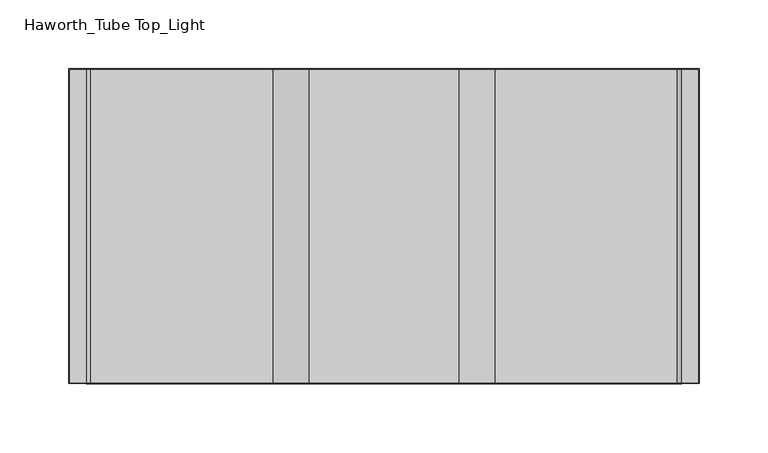
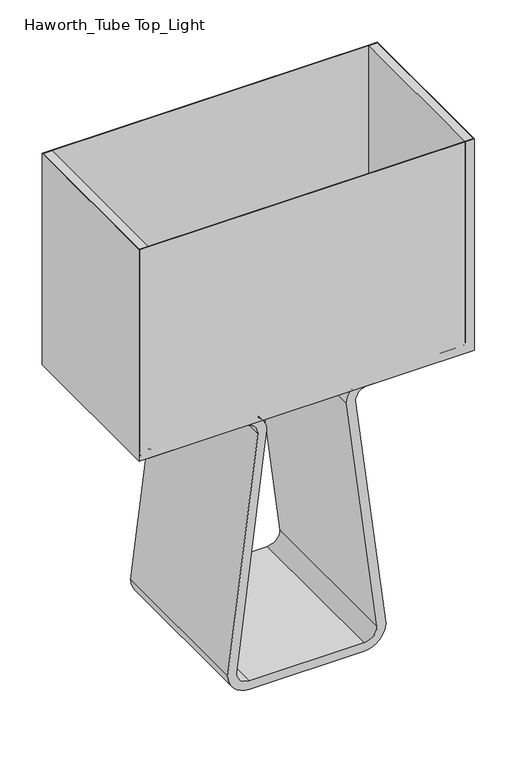
"""IFC4 building model written with IfcOpenShell, lengths in millimetres: light fixture geometry, Haworth_Tube Top_Light."""

from ifc_helpers import new_model, si_unit, frame, origin, place, context, project, spatial, polyline, circle_curve, outline, extrude, source, transform, mapped, element, save
from ifc_brep_helpers import plane_surface, cylinder_surface, revolved_surface, advanced_brep


def haworth_tube_top_light_b1e9bb4b(model_context):
    return source(origin(), model_context, "Body", "SolidModel", [
        extrude(outline(polyline([(258.0286301, 338.5532085), (258.0286301, 109.9532085), (-199.1713699, 109.9532085), (-199.1713699, 338.5532085), (258.0286301, 338.5532085)]), holes=[polyline([(-198.6752762, 110.4493023), (257.5325363, 110.4493023), (257.5325363, 338.0571148), (-198.6752762, 338.0571148), (-198.6752762, 110.4493023)])]), frame((0.0, 0.0, 1092.2), z_axis=(0.0, 0.0, 1.0), x_axis=(1.0, 0.0, 0.0)), (0.0, 0.0, 1.0), 304.8),
        advanced_brep(
        [(107.5137863, 109.9532085, 711.2), (137.3786301, 109.9532085, 741.0648438), (96.0940942, 109.9532085, 1075.2629814), (111.9786301, 109.9532085, 1092.2), (244.8325363, 109.9532085, 1092.2), (257.5325363, 109.9532085, 1104.9), (257.5325363, 109.9532085, 1397.0), (245.5270676, 109.9532085, 1397.0), (245.5270676, 109.9532085, 1107.3815346), (242.3520676, 109.9532085, 1104.2065346), (110.2106115, 109.9532085, 1104.2065346), (83.9989426, 109.9532085, 1076.2827629), (125.3731613, 109.9532085, 741.0648438), (107.5137863, 109.9532085, 723.2054688), (-48.6565262, 109.9532085, 723.1785424), (-66.5159012, 109.9532085, 741.0648438), (-25.1416824, 109.9532085, 1076.2827629), (-51.3533513, 109.9532085, 1104.2065346), (-183.4948074, 109.9532085, 1104.2065346), (-186.6698074, 109.9532085, 1107.3815346), (-186.6698074, 109.9532085, 1397.0), (-198.6752762, 109.9532085, 1397.0), (-198.6752762, 109.9532085, 1104.9), (-185.9752762, 109.9532085, 1092.2), (-53.1213699, 109.9532085, 1092.2), (-37.236834, 109.9532085, 1075.2629814), (-78.5213699, 109.9532085, 741.0648438), (-48.6565262, 109.9532085, 711.2), (107.5137863, 338.5532085, 711.2), (-48.6565262, 338.5532085, 711.2), (-78.5213699, 338.5532085, 741.0648438), (-37.236834, 338.5532085, 1075.2629814), (-53.1213699, 338.5532085, 1092.2), (-185.9752762, 338.5532085, 1092.2), (-198.6752762, 338.5532085, 1104.9), (-198.6752762, 338.5532085, 1397.0), (-186.6698074, 338.5532085, 1397.0), (-186.6698074, 338.5532085, 1107.3815346), (-183.4948074, 338.5532085, 1104.2065346), (-51.3533513, 338.5532085, 1104.2065346), (-25.1416824, 338.5532085, 1076.2827629), (-66.5159012, 338.5532085, 741.0648438), (-48.6565262, 338.5532085, 723.2054688), (107.5137863, 338.5532085, 723.1785424), (125.3731613, 338.5532085, 741.0648438), (83.9989426, 338.5532085, 1076.2827629), (110.2106115, 338.5532085, 1104.2065346), (242.3520676, 338.5532085, 1104.2065346), (245.5270676, 338.5532085, 1107.3815346), (245.5270676, 338.5532085, 1397.0), (257.5325363, 338.5532085, 1397.0), (257.5325363, 338.5532085, 1104.9), (244.8325363, 338.5532085, 1092.2), (111.9786301, 338.5532085, 1092.2), (96.0940942, 338.5532085, 1075.2629814), (137.3786301, 338.5532085, 741.0648438)],
        [
            (0, 1, circle_curve(frame((107.5137863, 109.9532085, 741.0648438), z_axis=(0.0, -1.0, 0.0), x_axis=(1.0, 0.0, 0.0)), 29.8648438)),
            (1, 2),
            (2, 3, circle_curve(frame((111.9786301, 109.9532085, 1076.2827629), z_axis=(0.0, 1.0, 0.0), x_axis=(1.0, 0.0, 0.0)), 15.9172371)),
            (3, 4),
            (4, 5, circle_curve(frame((244.8325363, 109.9532085, 1104.9), z_axis=(0.0, -1.0, 0.0), x_axis=(1.0, 0.0, 0.0)), 12.7)),
            (5, 6),
            (6, 7),
            (7, 8),
            (8, 9, circle_curve(frame((242.3520676, 109.9532085, 1107.3815346), z_axis=(0.0, 1.0, 0.0), x_axis=(1.0, 0.0, 0.0)), 3.175)),
            (9, 10),
            (10, 11, circle_curve(frame((111.9786301, 109.9532085, 1076.2827629), z_axis=(0.0, -1.0, 0.0), x_axis=(1.0, 0.0, 0.0)), 27.9796875)),
            (11, 12),
            (12, 13, circle_curve(frame((107.5137863, 109.9532085, 741.0648438), z_axis=(0.0, 1.0, 0.0), x_axis=(1.0, 0.0, 0.0)), 17.859375)),
            (13, 14),
            (14, 15, circle_curve(frame((-48.6565262, 109.9532085, 741.0648438), z_axis=(0.0, 1.0, 0.0), x_axis=(1.0, 0.0, 0.0)), 17.859375)),
            (15, 16),
            (16, 17, circle_curve(frame((-53.1213699, 109.9532085, 1076.2827629), z_axis=(0.0, -1.0, 0.0), x_axis=(1.0, 0.0, 0.0)), 27.9796875)),
            (17, 18),
            (18, 19, circle_curve(frame((-183.4948074, 109.9532085, 1107.3815346), z_axis=(0.0, 1.0, 0.0), x_axis=(1.0, 0.0, 0.0)), 3.175)),
            (19, 20),
            (20, 21),
            (21, 22),
            (22, 23, circle_curve(frame((-185.9752762, 109.9532085, 1104.9), z_axis=(0.0, -1.0, 0.0), x_axis=(1.0, 0.0, 0.0)), 12.7)),
            (23, 24),
            (24, 25, circle_curve(frame((-53.1213699, 109.9532085, 1076.2827629), z_axis=(0.0, 1.0, 0.0), x_axis=(1.0, 0.0, 0.0)), 15.9172371)),
            (25, 26),
            (26, 27, circle_curve(frame((-48.6565262, 109.9532085, 741.0648438), z_axis=(0.0, -1.0, 0.0), x_axis=(1.0, 0.0, 0.0)), 29.8648438)),
            (27, 0),
            (28, 29),
            (29, 30, circle_curve(frame((-48.6565262, 338.5532085, 741.0648438), z_axis=(0.0, 1.0, 0.0), x_axis=(1.0, 0.0, 0.0)), 29.8648438)),
            (30, 31),
            (31, 32, circle_curve(frame((-53.1213699, 338.5532085, 1076.2827629), z_axis=(0.0, -1.0, 0.0), x_axis=(1.0, 0.0, 0.0)), 15.9172371)),
            (32, 33),
            (33, 34, circle_curve(frame((-185.9752762, 338.5532085, 1104.9), z_axis=(0.0, 1.0, 0.0), x_axis=(1.0, 0.0, 0.0)), 12.7)),
            (34, 35),
            (35, 36),
            (36, 37),
            (37, 38, circle_curve(frame((-183.4948074, 338.5532085, 1107.3815346), z_axis=(0.0, -1.0, 0.0), x_axis=(1.0, 0.0, 0.0)), 3.175)),
            (38, 39),
            (39, 40, circle_curve(frame((-53.1213699, 338.5532085, 1076.2827629), z_axis=(0.0, 1.0, 0.0), x_axis=(1.0, 0.0, 0.0)), 27.9796875)),
            (40, 41),
            (41, 42, circle_curve(frame((-48.6565262, 338.5532085, 741.0648438), z_axis=(0.0, -1.0, 0.0), x_axis=(1.0, 0.0, 0.0)), 17.859375)),
            (42, 43),
            (43, 44, circle_curve(frame((107.5137863, 338.5532085, 741.0648438), z_axis=(0.0, -1.0, 0.0), x_axis=(1.0, 0.0, 0.0)), 17.859375)),
            (44, 45),
            (45, 46, circle_curve(frame((111.9786301, 338.5532085, 1076.2827629), z_axis=(0.0, 1.0, 0.0), x_axis=(1.0, 0.0, 0.0)), 27.9796875)),
            (46, 47),
            (47, 48, circle_curve(frame((242.3520676, 338.5532085, 1107.3815346), z_axis=(0.0, -1.0, 0.0), x_axis=(1.0, 0.0, 0.0)), 3.175)),
            (48, 49),
            (49, 50),
            (50, 51),
            (51, 52, circle_curve(frame((244.8325363, 338.5532085, 1104.9), z_axis=(0.0, 1.0, 0.0), x_axis=(1.0, 0.0, 0.0)), 12.7)),
            (52, 53),
            (53, 54, circle_curve(frame((111.9786301, 338.5532085, 1076.2827629), z_axis=(0.0, -1.0, 0.0), x_axis=(1.0, 0.0, 0.0)), 15.9172371)),
            (54, 55),
            (55, 28, circle_curve(frame((107.5137863, 338.5532085, 741.0648438), z_axis=(0.0, 1.0, 0.0), x_axis=(1.0, 0.0, 0.0)), 29.8648438)),
            (27, 29),
            (28, 0),
            (13, 43),
            (42, 14),
            (5, 51),
            (50, 6),
            (15, 41),
            (40, 16),
            (17, 39),
            (38, 18),
            (21, 35),
            (34, 22),
            (33, 23),
            (32, 24),
            (31, 25),
            (30, 26),
            (49, 7),
            (37, 19),
            (36, 20),
            (48, 8),
            (1, 55),
            (54, 2),
            (53, 3),
            (52, 4),
            (47, 9),
            (46, 10),
            (45, 11),
            (44, 12),
        ],
        [
            plane_surface(frame((137.3786301, 109.9532085, 741.0648438), z_axis=(0.0, -1.0, 0.0), x_axis=(0.0, 0.0, 1.0))),
            plane_surface(frame((137.3786301, 338.5532085, 741.0648438), z_axis=(0.0, 1.0, 0.0), x_axis=(0.0, 0.0, -1.0))),
            plane_surface(frame((-48.6565262, 109.9532085, 711.2), z_axis=(0.0, 0.0, -1.0), x_axis=(0.0, 1.0, 0.0))),
            plane_surface(frame((107.5137863, 109.9532085, 723.1785424), z_axis=(0.0, 0.0, 1.0), x_axis=(0.0, 1.0, 0.0))),
            plane_surface(frame((257.5325363, 109.9532085, 1104.9), z_axis=(1.0, 0.0, 0.0), x_axis=(0.0, 1.0, 0.0))),
            plane_surface(frame((-66.5159012, 109.9532085, 741.0648438), z_axis=(0.9924690884575811, 0.0, -0.12249534054884759), x_axis=(0.0, 1.0, 0.0))),
            plane_surface(frame((-51.3533513, 109.9532085, 1104.2065346), z_axis=(-1.7823596592694351e-12, 0.0, 1.0), x_axis=(0.0, 1.0, 0.0))),
            plane_surface(frame((-198.6752762, 109.9532085, 1397.0), z_axis=(-1.0, 0.0, 0.0), x_axis=(0.0, 1.0, 0.0))),
            cylinder_surface(frame((-185.9752762, 338.5532085, 1104.9), z_axis=(0.0, -1.0, 0.0), x_axis=(1.0, 0.0, 0.0)), 12.7),
            plane_surface(frame((-185.9752762, 109.9532085, 1092.2), z_axis=(0.0, 0.0, -1.0), x_axis=(0.0, 1.0, 0.0))),
            revolved_surface(polyline([(-37.2041328, 338.5532085, 1076.2827629), (-37.2041328, 109.95320850000002, 1076.2827629)]), (-53.1213699, 338.5532085, 1076.2827629), (0.0, 1.0, 0.0)),
            plane_surface(frame((-37.236834, 109.9532085, 1075.2629814), z_axis=(-0.9924560194515472, 0.0, 0.12260118047714945), x_axis=(0.0, 1.0, 0.0))),
            cylinder_surface(frame((-48.6565262, 338.5532085, 741.0648438), z_axis=(0.0, -1.0, 0.0), x_axis=(1.0, 0.0, 0.0)), 29.8648438),
            plane_surface(frame((257.5325363, 109.9532085, 1397.0), z_axis=(0.0, 0.0, 1.0), x_axis=(0.0, 1.0, 0.0))),
            revolved_surface(polyline([(-180.3198074, 338.5532085, 1107.3815346), (-180.3198074, 109.95320850000002, 1107.3815346)]), (-183.4948074, 338.5532085, 1107.3815346), (0.0, 1.0, 0.0)),
            plane_surface(frame((-186.6698074, 109.9532085, 1107.3815346), z_axis=(1.0, 0.0, 0.0), x_axis=(0.0, 1.0, 0.0))),
            plane_surface(frame((-186.6698074, 109.9532085, 1397.0), z_axis=(0.0, 0.0, 1.0), x_axis=(0.0, 1.0, 0.0))),
            plane_surface(frame((245.5270676, 109.9532085, 1397.0), z_axis=(-1.0, 0.0, 0.0), x_axis=(0.0, 1.0, 0.0))),
            revolved_surface(polyline([(-30.797151200000002, 338.5532085, 741.0648438), (-30.797151200000002, 109.95320850000002, 741.0648438)]), (-48.6565262, 338.5532085, 741.0648438), (0.0, 1.0, 0.0)),
            cylinder_surface(frame((-53.1213699, 338.5532085, 1076.2827629), z_axis=(0.0, -1.0, 0.0), x_axis=(1.0, 0.0, 0.0)), 27.9796875),
            plane_surface(frame((137.3786301, 109.9532085, 741.0648438), z_axis=(0.9924560194517176, 0.0, 0.12260118047576937), x_axis=(0.0, 1.0, 0.0))),
            revolved_surface(polyline([(127.8958672, 338.5532085, 1076.2827629), (127.8958672, 109.95320850000002, 1076.2827629)]), (111.9786301, 338.5532085, 1076.2827629), (0.0, 1.0, 0.0)),
            plane_surface(frame((111.9786301, 109.9532085, 1092.2), z_axis=(0.0, 0.0, -1.0), x_axis=(0.0, 1.0, 0.0))),
            cylinder_surface(frame((244.8325363, 338.5532085, 1104.9), z_axis=(0.0, -1.0, 0.0), x_axis=(1.0, 0.0, 0.0)), 12.7),
            revolved_surface(polyline([(245.5270676, 338.5532085, 1107.3815346), (245.5270676, 109.95320850000002, 1107.3815346)]), (242.3520676, 338.5532085, 1107.3815346), (0.0, 1.0, 0.0)),
            plane_surface(frame((242.3520676, 109.9532085, 1104.2065346), z_axis=(0.0, 0.0, 1.0), x_axis=(0.0, 1.0, 0.0))),
            cylinder_surface(frame((111.9786301, 338.5532085, 1076.2827629), z_axis=(0.0, -1.0, 0.0), x_axis=(1.0, 0.0, 0.0)), 27.9796875),
            plane_surface(frame((83.9989426, 109.9532085, 1076.2827629), z_axis=(-0.9924690884576707, 0.0, -0.12249534054812146), x_axis=(0.0, 1.0, 0.0))),
            revolved_surface(polyline([(125.3731613, 338.5532085, 741.0648438), (125.3731613, 109.95320850000002, 741.0648438)]), (107.5137863, 338.5532085, 741.0648438), (0.0, 1.0, 0.0)),
            cylinder_surface(frame((107.5137863, 338.5532085, 741.0648438), z_axis=(0.0, -1.0, 0.0), x_axis=(1.0, 0.0, 0.0)), 29.8648438),
        ],
        [
            (0, [[1, 2, 3, 4, 5, 6, 7, 8, 9, 10, 11, 12, 13, 14, 15, 16, 17, 18, 19, 20, 21, 22, 23, 24, 25, 26, 27, 28]]),
            (1, [[29, 30, 31, 32, 33, 34, 35, 36, 37, 38, 39, 40, 41, 42, 43, 44, 45, 46, 47, 48, 49, 50, 51, 52, 53, 54, 55, 56]]),
            (2, [[-28, 57, -29, 58]]),
            (3, [[-14, 59, -43, 60]]),
            (4, [[-6, 61, -51, 62]]),
            (5, [[-16, 63, -41, 64]]),
            (6, [[-18, 65, -39, 66]]),
            (7, [[-22, 67, -35, 68]]),
            (8, [[-23, -68, -34, 69]]),
            (9, [[-24, -69, -33, 70]]),
            (10, [[-25, -70, -32, 71]]),
            (11, [[-26, -71, -31, 72]]),
            (12, [[-27, -72, -30, -57]]),
            (13, [[-7, -62, -50, 73]]),
            (14, [[-19, -66, -38, 74]]),
            (15, [[-20, -74, -37, 75]]),
            (16, [[-21, -75, -36, -67]]),
            (17, [[-8, -73, -49, 76]]),
            (18, [[-15, -60, -42, -63]]),
            (19, [[-17, -64, -40, -65]]),
            (20, [[-2, 77, -55, 78]]),
            (21, [[-3, -78, -54, 79]]),
            (22, [[-4, -79, -53, 80]]),
            (23, [[-5, -80, -52, -61]]),
            (24, [[-9, -76, -48, 81]]),
            (25, [[-10, -81, -47, 82]]),
            (26, [[-11, -82, -46, 83]]),
            (27, [[-12, -83, -45, 84]]),
            (28, [[-13, -84, -44, -59]]),
            (29, [[-1, -58, -56, -77]]),
        ],
    ),
    ])


if __name__ == "__main__":
    model = new_model("IFC4")
    model_context = context("Model", 3, world=origin())
    ifc_project = project(units=[si_unit("LENGTHUNIT", "METRE", prefix="MILLI")], contexts=[model_context])
    site = spatial("IfcSite", under=ifc_project)
    building = spatial("IfcBuilding", under=site)
    placement = place(None, origin())
    haworth_tube_top_light_shape = haworth_tube_top_light_b1e9bb4b(model_context)
    element("IfcLightFixture", 1, ObjectType="Haworth_Tube Top_Light", at=placement, inside=building, context=model_context, shape_type="MappedRepresentation", body=[
        mapped(haworth_tube_top_light_shape, transform((0.0, 0.0, 0.0), x_axis=(1.0, 0.0, 0.0), y_axis=(0.0, 1.0, 0.0), z_axis=(0.0, 0.0, 1.0))),
    ])
    save(model, "model.ifc")
